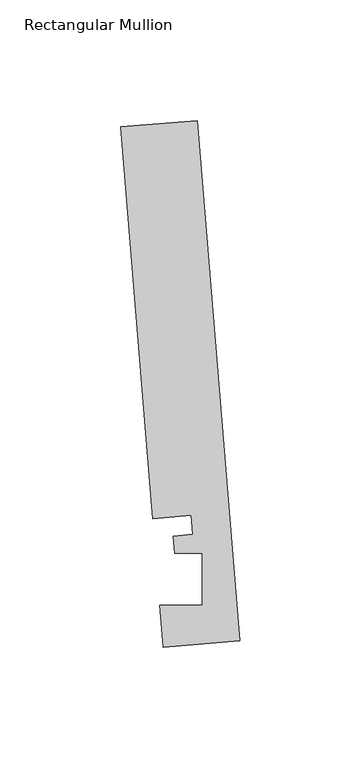
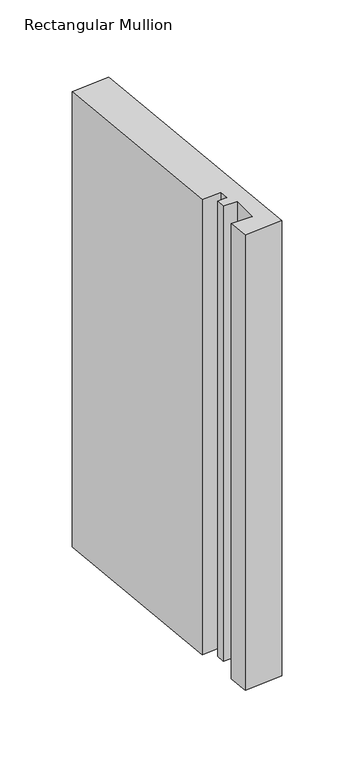
"""IFC4 building model written with IfcOpenShell, lengths in millimetres: member geometry, Rectangular Mullion."""

from ifc_helpers import new_model, si_unit, frame, origin, place, context, project, spatial, polyline, outline, extrude, source, transform, mapped, element, save


def rectangular_mullion_5f563b36(model_context):
    return source(origin(), model_context, "Body", "SweptSolid", [
        extrude(outline(polyline([(-0.2190396, 2.6699364), (-31.8627302, 0.0739116), (-33.2772473, 17.315866), (-15.8506254, 17.315866), (-15.848851, 38.9474576), (-27.100463, 38.9474576), (-27.6861262, 46.0862742), (-19.7625461, 46.7363188), (-20.4084371, 54.6092691), (-36.2302824, 53.3112566), (-49.5364672, 215.5041572), (-17.8927766, 218.100182), (-0.2190396, 2.6699364)])), frame((0.0, 0.0, -395.4625873), z_axis=(0.0, 0.0, 1.0), x_axis=(1.0, 0.0, 0.0)), (0.0, 0.0, 1.0), 395.4625873),
    ])


if __name__ == "__main__":
    model = new_model("IFC4")
    model_context = context("Model", 3, world=origin())
    ifc_project = project(units=[si_unit("LENGTHUNIT", "METRE", prefix="MILLI")], contexts=[model_context])
    site = spatial("IfcSite", under=ifc_project)
    building = spatial("IfcBuilding", under=site)
    placement = place(None, origin())
    rectangular_mullion_shape = rectangular_mullion_5f563b36(model_context)
    element("IfcMember", 1, ObjectType="Rectangular Mullion", at=placement, inside=building, context=model_context, shape_type="MappedRepresentation", body=[
        mapped(rectangular_mullion_shape, transform((0.0, 0.0, 0.0), x_axis=(1.0, 0.0, 0.0), y_axis=(0.0, 1.0, 0.0), z_axis=(0.0, 0.0, 1.0))),
    ])
    save(model, "model.ifc")
